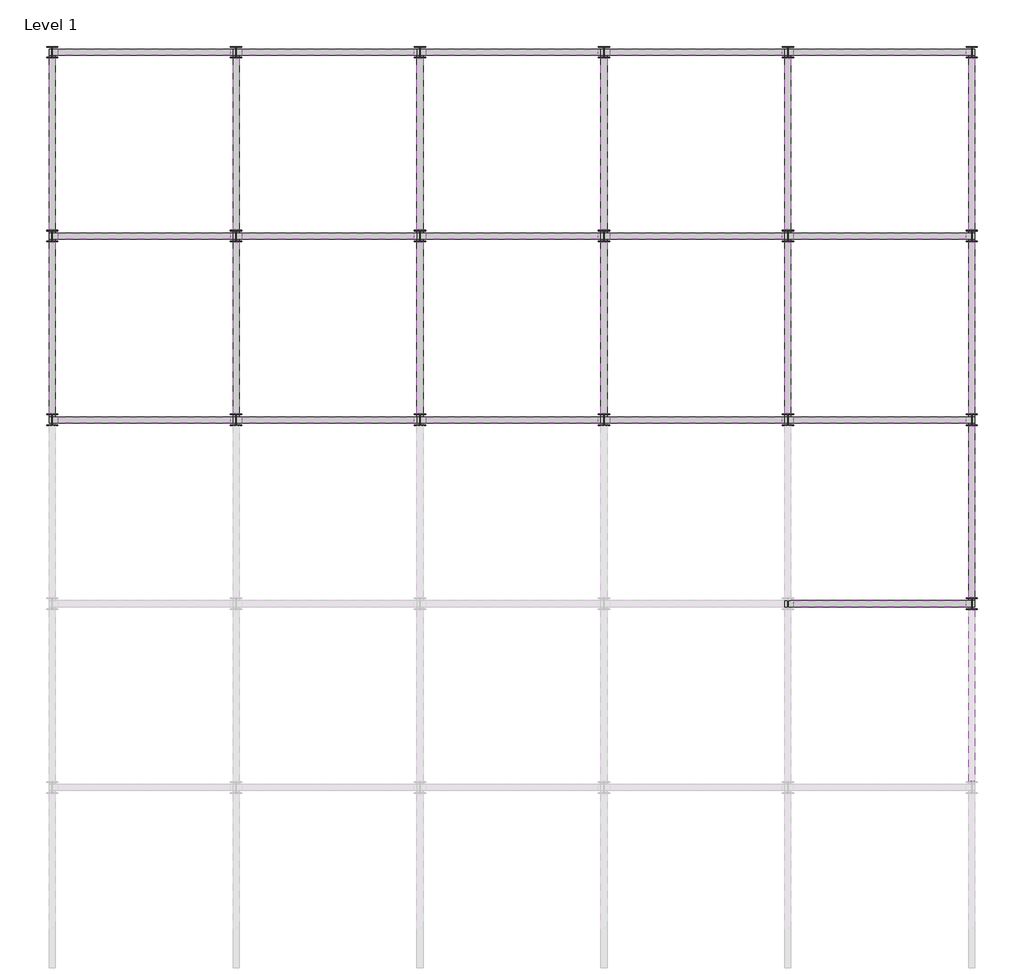
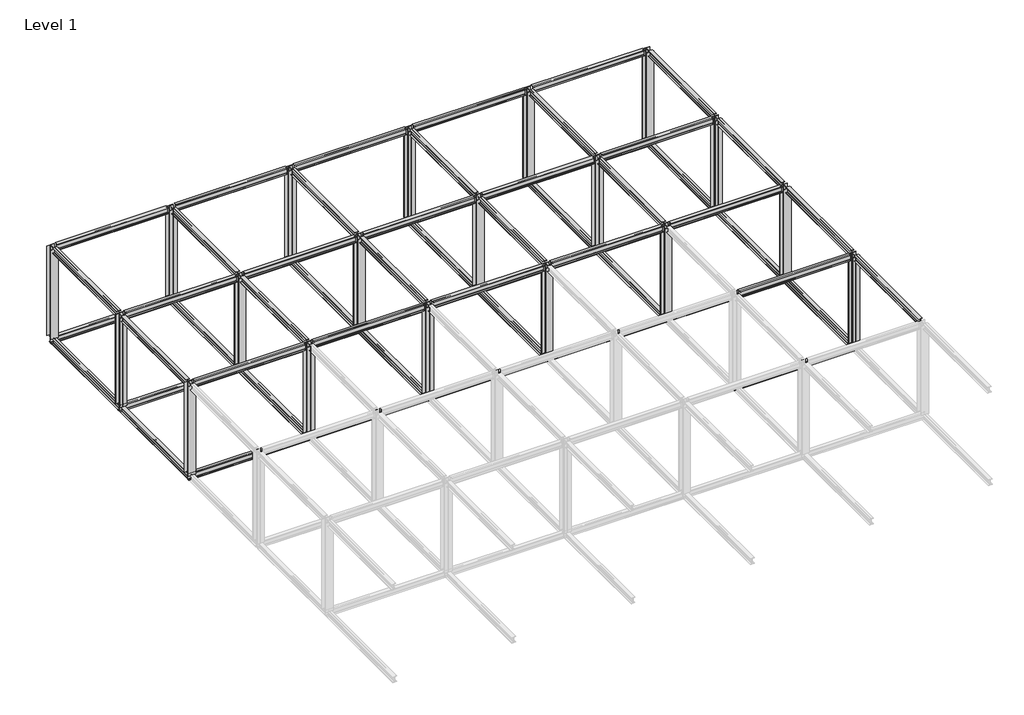
# One storey, part 2 of 2: 59 beams, 19 columns.
"""IFC4 building model written with IfcOpenShell, lengths in millimetres."""

import ifcopenshell
import ifcopenshell.guid

model = None  # the IFC model being written
_history = None  # IfcOwnerHistory: only IFC2X3 demands one
_inside = {}  # id of a spatial element -> (the spatial element, [elements in it])
_under = {}  # id of a project, library or spatial element -> (it, [spatial elements below it])
_declared = {}  # id of a project -> (the project, [libraries it declares])
_typed = {}  # id of a type object -> (the type object, [elements of that type])
_made_of = {}  # id of a material, layer set ... -> (it, [elements and type objects made of it])


def new_model(schema):
    """Start an empty IFC model of exactly this schema.

    Asked for "IFC4X3", IfcOpenShell would pick the latest addendum, in which some entities
    have other attributes; the version numbers below select the first issue.
    IFC2X3 requires an IfcOwnerHistory on every rooted entity: one is made here for all.
    """
    global model, _history
    if schema == "IFC4X3":
        model = ifcopenshell.file(schema_version=(4, 3, 0, 0))
    else:
        model = ifcopenshell.file(schema=schema)
    _inside.clear()
    _under.clear()
    _declared.clear()
    _typed.clear()
    _made_of.clear()
    _history = None
    if model.schema == "IFC2X3":
        org = make("IfcOrganization", Name="unknown")
        user = make(
            "IfcPersonAndOrganization",
            ThePerson=make("IfcPerson", FamilyName="unknown"),
            TheOrganization=org,
        )
        app = make(
            "IfcApplication",
            ApplicationDeveloper=org,
            Version="unknown",
            ApplicationFullName="unknown",
            ApplicationIdentifier="unknown",
        )
        _history = make(
            "IfcOwnerHistory",
            OwningUser=user,
            OwningApplication=app,
            ChangeAction="ADDED",
            CreationDate=0,
        )
    return model


def make(cls, **values):
    """One entity of the class cls with the attributes given. An attribute that is None is left unset."""
    return model.create_entity(
        cls, **{name: value for name, value in values.items() if value is not None}
    )


def rooted(cls, **values):
    """An entity with a GlobalId (a new one), such as an element, a storey or a relation."""
    return make(cls, GlobalId=ifcopenshell.guid.new(), OwnerHistory=_history, **values)


def si_unit(unit_type, name, prefix=None):
    """IfcSIUnit, for example si_unit("LENGTHUNIT", "METRE", prefix="MILLI")."""
    return make("IfcSIUnit", UnitType=unit_type, Prefix=prefix, Name=name)


def assignment(units):
    """IfcUnitAssignment: the units of a project."""
    return None if units is None else make("IfcUnitAssignment", Units=units)


def point(xyz):
    """IfcCartesianPoint."""
    return None if xyz is None else make("IfcCartesianPoint", Coordinates=xyz)


def direction(xyz):
    """IfcDirection."""
    return None if xyz is None else make("IfcDirection", DirectionRatios=xyz)


def frame(location, z_axis=None, x_axis=None):
    """IfcAxis2Placement3D, a coordinate frame: its origin and axes. An axis left out is left unset."""
    return make(
        "IfcAxis2Placement3D",
        Location=point(location),
        Axis=direction(z_axis),
        RefDirection=direction(x_axis),
    )


def frame_2d(location, x_axis=None):
    """IfcAxis2Placement2D, a coordinate frame in the plane: its origin and x axis."""
    return make(
        "IfcAxis2Placement2D", Location=point(location), RefDirection=direction(x_axis)
    )


def origin():
    """The frame at (0, 0, 0) with its axes left unset."""
    return frame((0.0, 0.0, 0.0))


def origin_with_axes():
    """The frame at (0, 0, 0) with the z axis (0, 0, 1) and the x axis (1, 0, 0) written out."""
    return frame((0.0, 0.0, 0.0), z_axis=(0.0, 0.0, 1.0), x_axis=(1.0, 0.0, 0.0))


def place(relative_to, where):
    """IfcLocalPlacement: puts the frame where relative to a parent placement (None: the world)."""
    return make(
        "IfcLocalPlacement", PlacementRelTo=relative_to, RelativePlacement=where
    )


def context(
    kind, dimensions, precision=None, world=None, true_north=None, identifier=None
):
    """IfcGeometricRepresentationContext, for example the 3D "Model" context."""
    return make(
        "IfcGeometricRepresentationContext",
        ContextIdentifier=identifier,
        ContextType=kind,
        CoordinateSpaceDimension=dimensions,
        Precision=precision,
        WorldCoordinateSystem=world,
        TrueNorth=true_north,
    )


def project(units=None, contexts=None):
    """IfcProject with its units and contexts."""
    return rooted(
        "IfcProject",
        Name="project",
        RepresentationContexts=contexts,
        UnitsInContext=assignment(units),
    )


def spatial(cls, under=None, at=None, **own):
    """A site, building, storey or space (cls), placed at a placement, below another one or the project."""
    s = rooted(cls, ObjectPlacement=at, **own)
    if under is not None:
        _under.setdefault(under.id(), (under, []))[1].append(s)
    return s


def polyline(points):
    """IfcPolyline through the points."""
    return make("IfcPolyline", Points=[point(p) for p in points])


def circle_curve(where, radius):
    """IfcCircle in the frame where."""
    return make("IfcCircle", Position=where, Radius=radius)


def trimmed(basis, trim1, trim2, sense, master):
    """IfcTrimmedCurve: the piece of a basis curve between two trims."""
    return make(
        "IfcTrimmedCurve",
        BasisCurve=basis,
        Trim1=trim1,
        Trim2=trim2,
        SenseAgreement=sense,
        MasterRepresentation=master,
    )


def segment(curve, same_sense, transition):
    """IfcCompositeCurveSegment."""
    return make(
        "IfcCompositeCurveSegment",
        Transition=transition,
        SameSense=same_sense,
        ParentCurve=curve,
    )


def composite_curve(segments, self_intersect=None):
    """IfcCompositeCurve: segments joined end to end."""
    return make("IfcCompositeCurve", Segments=segments, SelfIntersect=self_intersect)


def outline(outer, holes=None, kind="AREA"):
    """IfcArbitraryClosedProfileDef: a profile drawn as a closed curve; with holes, ...WithVoids."""
    if holes is None:
        return make("IfcArbitraryClosedProfileDef", ProfileType=kind, OuterCurve=outer)
    return make(
        "IfcArbitraryProfileDefWithVoids",
        ProfileType=kind,
        OuterCurve=outer,
        InnerCurves=holes,
    )


def extrude(swept, where, along, depth):
    """IfcExtrudedAreaSolid: the profile swept, set in the frame where, extruded along a direction by depth."""
    return make(
        "IfcExtrudedAreaSolid",
        SweptArea=swept,
        Position=where,
        ExtrudedDirection=direction(along),
        Depth=depth,
    )


def shape(context_of_items, identifier, shape_type, items):
    """IfcShapeRepresentation: the items that make up one representation, for example the "Body"."""
    return make(
        "IfcShapeRepresentation",
        ContextOfItems=context_of_items,
        RepresentationIdentifier=identifier,
        RepresentationType=shape_type,
        Items=items,
    )


def source(mapping_origin, context_of_items, identifier, shape_type, items):
    """IfcRepresentationMap: a shape defined once, which mapped items show again and again."""
    return make(
        "IfcRepresentationMap",
        MappingOrigin=mapping_origin,
        MappedRepresentation=shape(context_of_items, identifier, shape_type, items),
    )


def transform(
    local_origin,
    x_axis=None,
    y_axis=None,
    z_axis=None,
    scale=None,
    scale2=None,
    scale3=None,
    uniform=True,
):
    """IfcCartesianTransformationOperator3D, or its non-uniform kind. x_axis, y_axis, z_axis: its Axis1, 2, 3."""
    if uniform:
        return make(
            "IfcCartesianTransformationOperator3D",
            Axis1=direction(x_axis),
            Axis2=direction(y_axis),
            LocalOrigin=point(local_origin),
            Scale=scale,
            Axis3=direction(z_axis),
        )
    return make(
        "IfcCartesianTransformationOperator3DnonUniform",
        Axis1=direction(x_axis),
        Axis2=direction(y_axis),
        LocalOrigin=point(local_origin),
        Scale=scale,
        Axis3=direction(z_axis),
        Scale2=scale2,
        Scale3=scale3,
    )


def mapped(mapping_source, mapping_target):
    """IfcMappedItem: shows the shape of a source again, moved by a transform."""
    return make(
        "IfcMappedItem", MappingSource=mapping_source, MappingTarget=mapping_target
    )


def made_of(thing, what):
    """Note that an element or type object is made of a material, layer set ...; save() writes the relation."""
    if what is not None:
        _made_of.setdefault(what.id(), (what, []))[1].append(thing)
    return thing


def element(
    cls,
    number,
    at=None,
    inside=None,
    cuts=None,
    type_object=None,
    material=None,
    context=None,
    identifier="Body",
    shape_type=None,
    held_by="IfcProductDefinitionShape",
    body=None,
    shapes=None,
    **own,
):
    """One element of the class cls, such as IfcWall. Its Tag is "e" and its number.

    at: its placement. inside: the storey or other place that contains it. cuts: it is an
    opening in that element (IfcRelVoidsElement). A single representation is given by context,
    identifier, shape_type and body (its items); several are given by shapes. held_by: the class
    of the entity that holds the representations. save() writes the other relations.
    """
    e = rooted(cls, Tag="e%d" % number, ObjectPlacement=at, **own)
    if body is not None:
        shapes = [shape(context, identifier, shape_type, body)]
    if shapes is not None:
        e.Representation = make(held_by, Representations=shapes)
    if inside is not None:
        _inside.setdefault(inside.id(), (inside, []))[1].append(e)
    if cuts is not None:
        rooted(
            "IfcRelVoidsElement", RelatingBuildingElement=cuts, RelatedOpeningElement=e
        )
    if type_object is not None:
        _typed.setdefault(type_object.id(), (type_object, []))[1].append(e)
    return made_of(e, material)


def aggregate(whole, parts):
    """IfcRelAggregates: a whole, such as a stair, and the parts it consists of."""
    return rooted("IfcRelAggregates", RelatingObject=whole, RelatedObjects=parts)


def save(model, path):
    """Write the relations noted so far, then the file.

    IfcRelAggregates (storeys below a building ...), IfcRelContainedInSpatialStructure (elements
    in a storey), IfcRelDefinesByType, IfcRelAssociatesMaterial and IfcRelDeclares: one each for
    every whole, place, type object, material and project.
    """
    for whole, parts in _under.values():
        aggregate(whole, parts)
    for where, things in _inside.values():
        rooted(
            "IfcRelContainedInSpatialStructure",
            RelatedElements=things,
            RelatingStructure=where,
        )
    for kind, things in _typed.values():
        rooted("IfcRelDefinesByType", RelatedObjects=things, RelatingType=kind)
    for what, things in _made_of.values():
        rooted("IfcRelAssociatesMaterial", RelatedObjects=things, RelatingMaterial=what)
    for by, libraries in _declared.values():
        rooted("IfcRelDeclares", RelatingContext=by, RelatedDefinitions=libraries)
    model.write(path)


def ub_universal_beam2_8285ca34(model_context):
    return source(origin(), model_context, "Body", "SweptSolid", [
        extrude(outline(composite_curve([segment(polyline([(82.5, -114.8), (82.5, -125.0), (-82.5, -125.0), (-82.5, -114.8), (-11.9, -114.8)]), True, "CONTINUOUS"), segment(trimmed(circle_curve(frame_2d((-11.9, -105.9)), 8.9), [point((-11.9, -114.8))], [point((-3.0, -105.9))], True, "CARTESIAN"), True, "CONTINUOUS"), segment(polyline([(-3.0, -105.9), (-3.0, 105.9)]), True, "CONTINUOUS"), segment(trimmed(circle_curve(frame_2d((-11.9, 105.9)), 8.9), [point((-3.0, 105.9))], [point((-11.9, 114.8))], True, "CARTESIAN"), True, "CONTINUOUS"), segment(polyline([(-11.9, 114.8), (-82.5, 114.8), (-82.5, 125.0), (82.5, 125.0), (82.5, 114.8), (11.9, 114.8)]), True, "CONTINUOUS"), segment(trimmed(circle_curve(frame_2d((11.9, 105.9)), 8.9), [point((11.9, 114.8))], [point((3.0, 105.9))], True, "CARTESIAN"), True, "CONTINUOUS"), segment(polyline([(3.0, 105.9), (3.0, -105.9)]), True, "CONTINUOUS"), segment(trimmed(circle_curve(frame_2d((11.9, -105.9)), 8.9), [point((3.0, -105.9))], [point((11.9, -114.8))], True, "CARTESIAN"), True, "CONTINUOUS"), segment(polyline([(11.9, -114.8), (82.5, -114.8)]), True, "CONTINUOUS")], self_intersect=False)), frame((-2582.5, 0.0, 0.0), z_axis=(1.0, 0.0, 0.0), x_axis=(0.0, 1.0, 0.0)), (0.0, 0.0, 1.0), 4987.3),
    ])


def ub_universal_beam2_29741b4f(model_context):
    return source(origin(), model_context, "Body", "SweptSolid", [
        extrude(outline(composite_curve([segment(polyline([(82.5, -114.8), (82.5, -125.0), (-82.5, -125.0), (-82.5, -114.8), (-11.9, -114.8)]), True, "CONTINUOUS"), segment(trimmed(circle_curve(frame_2d((-11.9, -105.9)), 8.9), [point((-11.9, -114.8))], [point((-3.0, -105.9))], True, "CARTESIAN"), True, "CONTINUOUS"), segment(polyline([(-3.0, -105.9), (-3.0, 105.9)]), True, "CONTINUOUS"), segment(trimmed(circle_curve(frame_2d((-11.9, 105.9)), 8.9), [point((-3.0, 105.9))], [point((-11.9, 114.8))], True, "CARTESIAN"), True, "CONTINUOUS"), segment(polyline([(-11.9, 114.8), (-82.5, 114.8), (-82.5, 125.0), (82.5, 125.0), (82.5, 114.8), (11.9, 114.8)]), True, "CONTINUOUS"), segment(trimmed(circle_curve(frame_2d((11.9, 105.9)), 8.9), [point((11.9, 114.8))], [point((3.0, 105.9))], True, "CARTESIAN"), True, "CONTINUOUS"), segment(polyline([(3.0, 105.9), (3.0, -105.9)]), True, "CONTINUOUS"), segment(trimmed(circle_curve(frame_2d((11.9, -105.9)), 8.9), [point((3.0, -105.9))], [point((11.9, -114.8))], True, "CARTESIAN"), True, "CONTINUOUS"), segment(polyline([(11.9, -114.8), (82.5, -114.8)]), True, "CONTINUOUS")], self_intersect=False)), frame((-2404.8, 0.0, 0.0), z_axis=(1.0, 0.0, 0.0), x_axis=(0.0, 1.0, 0.0)), (0.0, 0.0, 1.0), 4809.6),
    ])


def ub_universal_beam2_1b98d5b6(model_context):
    return source(origin(), model_context, "Body", "SweptSolid", [
        extrude(outline(composite_curve([segment(polyline([(82.5, -114.8), (82.5, -125.0), (-82.5, -125.0), (-82.5, -114.8), (-11.9, -114.8)]), True, "CONTINUOUS"), segment(trimmed(circle_curve(frame_2d((-11.9, -105.9)), 8.9), [point((-11.9, -114.8))], [point((-3.0, -105.9))], True, "CARTESIAN"), True, "CONTINUOUS"), segment(polyline([(-3.0, -105.9), (-3.0, 105.9)]), True, "CONTINUOUS"), segment(trimmed(circle_curve(frame_2d((-11.9, 105.9)), 8.9), [point((-3.0, 105.9))], [point((-11.9, 114.8))], True, "CARTESIAN"), True, "CONTINUOUS"), segment(polyline([(-11.9, 114.8), (-82.5, 114.8), (-82.5, 125.0), (82.5, 125.0), (82.5, 114.8), (11.9, 114.8)]), True, "CONTINUOUS"), segment(trimmed(circle_curve(frame_2d((11.9, 105.9)), 8.9), [point((11.9, 114.8))], [point((3.0, 105.9))], True, "CARTESIAN"), True, "CONTINUOUS"), segment(polyline([(3.0, 105.9), (3.0, -105.9)]), True, "CONTINUOUS"), segment(trimmed(circle_curve(frame_2d((11.9, -105.9)), 8.9), [point((3.0, -105.9))], [point((11.9, -114.8))], True, "CARTESIAN"), True, "CONTINUOUS"), segment(polyline([(11.9, -114.8), (82.5, -114.8)]), True, "CONTINUOUS")], self_intersect=False)), frame((-2582.5, 0.0, 0.0), z_axis=(1.0, 0.0, 0.0), x_axis=(0.0, 1.0, 0.0)), (0.0, 0.0, 1.0), 5165.0),
    ])


def ub_universal_beam2_df2df2bd(model_context):
    return source(origin(), model_context, "Body", "SweptSolid", [
        extrude(outline(composite_curve([segment(polyline([(82.5, -114.8), (82.5, -125.0), (-82.5, -125.0), (-82.5, -114.8), (-11.9, -114.8)]), True, "CONTINUOUS"), segment(trimmed(circle_curve(frame_2d((-11.9, -105.9)), 8.9), [point((-11.9, -114.8))], [point((-3.0, -105.9))], True, "CARTESIAN"), True, "CONTINUOUS"), segment(polyline([(-3.0, -105.9), (-3.0, 105.9)]), True, "CONTINUOUS"), segment(trimmed(circle_curve(frame_2d((-11.9, 105.9)), 8.9), [point((-3.0, 105.9))], [point((-11.9, 114.8))], True, "CARTESIAN"), True, "CONTINUOUS"), segment(polyline([(-11.9, 114.8), (-82.5, 114.8), (-82.5, 125.0), (82.5, 125.0), (82.5, 114.8), (11.9, 114.8)]), True, "CONTINUOUS"), segment(trimmed(circle_curve(frame_2d((11.9, 105.9)), 8.9), [point((11.9, 114.8))], [point((3.0, 105.9))], True, "CARTESIAN"), True, "CONTINUOUS"), segment(polyline([(3.0, 105.9), (3.0, -105.9)]), True, "CONTINUOUS"), segment(trimmed(circle_curve(frame_2d((11.9, -105.9)), 8.9), [point((3.0, -105.9))], [point((11.9, -114.8))], True, "CARTESIAN"), True, "CONTINUOUS"), segment(polyline([(11.9, -114.8), (82.5, -114.8)]), True, "CONTINUOUS")], self_intersect=False)), frame((-2333.35, 0.0, 0.0), z_axis=(1.0, 0.0, 0.0), x_axis=(0.0, 1.0, 0.0)), (0.0, 0.0, 1.0), 4666.7),
    ])


def ub_universal_beam2_d287df18(model_context):
    return source(origin(), model_context, "Body", "SweptSolid", [
        extrude(outline(composite_curve([segment(polyline([(82.5, -114.8), (82.5, -125.0), (-82.5, -125.0), (-82.5, -114.8), (-11.9, -114.8)]), True, "CONTINUOUS"), segment(trimmed(circle_curve(frame_2d((-11.9, -105.9)), 8.9), [point((-11.9, -114.8))], [point((-3.0, -105.9))], True, "CARTESIAN"), True, "CONTINUOUS"), segment(polyline([(-3.0, -105.9), (-3.0, 105.9)]), True, "CONTINUOUS"), segment(trimmed(circle_curve(frame_2d((-11.9, 105.9)), 8.9), [point((-3.0, 105.9))], [point((-11.9, 114.8))], True, "CARTESIAN"), True, "CONTINUOUS"), segment(polyline([(-11.9, 114.8), (-82.5, 114.8), (-82.5, 125.0), (82.5, 125.0), (82.5, 114.8), (11.9, 114.8)]), True, "CONTINUOUS"), segment(trimmed(circle_curve(frame_2d((11.9, 105.9)), 8.9), [point((11.9, 114.8))], [point((3.0, 105.9))], True, "CARTESIAN"), True, "CONTINUOUS"), segment(polyline([(3.0, 105.9), (3.0, -105.9)]), True, "CONTINUOUS"), segment(trimmed(circle_curve(frame_2d((11.9, -105.9)), 8.9), [point((3.0, -105.9))], [point((11.9, -114.8))], True, "CARTESIAN"), True, "CONTINUOUS"), segment(polyline([(11.9, -114.8), (82.5, -114.8)]), True, "CONTINUOUS")], self_intersect=False)), frame((-2334.65, 0.0, 0.0), z_axis=(1.0, 0.0, 0.0), x_axis=(0.0, 1.0, 0.0)), (0.0, 0.0, 1.0), 4669.3),
    ])


def uc_universal_column_column_305x305x97uc_3b4fff0a(model_context):
    return source(origin(), model_context, "Body", "SweptSolid", [
        extrude(outline(composite_curve([segment(polyline([(152.65, 153.95), (152.65, 138.55), (20.15, 138.55)]), True, "CONTINUOUS"), segment(trimmed(circle_curve(frame_2d((20.15, 123.35)), 15.2), [point((20.15, 138.55))], [point((4.95, 123.35))], True, "CARTESIAN"), True, "CONTINUOUS"), segment(polyline([(4.95, 123.35), (4.95, -123.35)]), True, "CONTINUOUS"), segment(trimmed(circle_curve(frame_2d((20.15, -123.35)), 15.2), [point((4.95, -123.35))], [point((20.15, -138.55))], True, "CARTESIAN"), True, "CONTINUOUS"), segment(polyline([(20.15, -138.55), (152.65, -138.55), (152.65, -153.95), (-152.65, -153.95), (-152.65, -138.55), (-20.15, -138.55)]), True, "CONTINUOUS"), segment(trimmed(circle_curve(frame_2d((-20.15, -123.35)), 15.2), [point((-20.15, -138.55))], [point((-4.95, -123.35))], True, "CARTESIAN"), True, "CONTINUOUS"), segment(polyline([(-4.95, -123.35), (-4.95, 123.35)]), True, "CONTINUOUS"), segment(trimmed(circle_curve(frame_2d((-20.15, 123.35)), 15.2), [point((-4.95, 123.35))], [point((-20.15, 138.55))], True, "CARTESIAN"), True, "CONTINUOUS"), segment(polyline([(-20.15, 138.55), (-152.65, 138.55), (-152.65, 153.95), (152.65, 153.95)]), True, "CONTINUOUS")], self_intersect=False)), origin_with_axes(), (0.0, 0.0, 1.0), 3975.0),
    ])


model = new_model("IFC4")

# Units and contexts
model_context = context("Model", 3, world=origin())
ifc_project = project(units=[si_unit("LENGTHUNIT", "METRE", prefix="MILLI")], contexts=[model_context])

# Site, building, storey
site = spatial("IfcSite", under=ifc_project)
building = spatial("IfcBuilding", under=site)
storey = spatial("IfcBuildingStorey", under=building, Name="Level 1", Elevation=0.0)

# Beams
placement = place(None, origin())
ub_universal_beam2_shape = ub_universal_beam2_8285ca34(model_context)
element("IfcBeam", 1, ObjectType="UB-Universal Beam2", at=placement, inside=storey, context=model_context, shape_type="MappedRepresentation", body=[
    mapped(ub_universal_beam2_shape, transform((-11878.9546175, 11032.3284362, -125.0), x_axis=(1.0, 0.0, 0.0), y_axis=(0.0, 1.0, 0.0), z_axis=(0.0, 0.0, 1.0))),
])
element("IfcBeam", 2, ObjectType="UB-Universal Beam2", at=placement, inside=storey, context=model_context, shape_type="MappedRepresentation", body=[
    mapped(ub_universal_beam2_shape, transform((-6878.9546175, 11032.3284362, -125.0), x_axis=(1.0, 0.0, 0.0), y_axis=(0.0, 1.0, 0.0), z_axis=(0.0, 0.0, 1.0))),
])
element("IfcBeam", 3, ObjectType="UB-Universal Beam2", at=placement, inside=storey, context=model_context, shape_type="MappedRepresentation", body=[
    mapped(ub_universal_beam2_shape, transform((-1878.9546175, 11032.3284362, -125.0), x_axis=(1.0, 0.0, 0.0), y_axis=(0.0, 1.0, 0.0), z_axis=(0.0, 0.0, 1.0))),
])
element("IfcBeam", 4, ObjectType="UB-Universal Beam2", at=placement, inside=storey, context=model_context, shape_type="MappedRepresentation", body=[
    mapped(ub_universal_beam2_shape, transform((3121.0453825, 11032.3284362, -125.0), x_axis=(1.0, 0.0, 0.0), y_axis=(0.0, 1.0, 0.0), z_axis=(0.0, 0.0, 1.0))),
])
element("IfcBeam", 5, ObjectType="UB-Universal Beam2", at=placement, inside=storey, context=model_context, shape_type="MappedRepresentation", body=[
    mapped(ub_universal_beam2_shape, transform((-11878.9546175, 6032.3284362, -125.0), x_axis=(1.0, 0.0, 0.0), y_axis=(0.0, 1.0, 0.0), z_axis=(0.0, 0.0, 1.0))),
])
element("IfcBeam", 6, ObjectType="UB-Universal Beam2", at=placement, inside=storey, context=model_context, shape_type="MappedRepresentation", body=[
    mapped(ub_universal_beam2_shape, transform((-6878.9546175, 6032.3284362, -125.0), x_axis=(1.0, 0.0, 0.0), y_axis=(0.0, 1.0, 0.0), z_axis=(0.0, 0.0, 1.0))),
])
element("IfcBeam", 7, ObjectType="UB-Universal Beam2", at=placement, inside=storey, context=model_context, shape_type="MappedRepresentation", body=[
    mapped(ub_universal_beam2_shape, transform((-1878.9546175, 6032.3284362, -125.0), x_axis=(1.0, 0.0, 0.0), y_axis=(0.0, 1.0, 0.0), z_axis=(0.0, 0.0, 1.0))),
])
element("IfcBeam", 8, ObjectType="UB-Universal Beam2", at=placement, inside=storey, context=model_context, shape_type="MappedRepresentation", body=[
    mapped(ub_universal_beam2_shape, transform((3121.0453825, 6032.3284362, -125.0), x_axis=(1.0, 0.0, 0.0), y_axis=(0.0, 1.0, 0.0), z_axis=(0.0, 0.0, 1.0))),
])
element("IfcBeam", 9, ObjectType="UB-Universal Beam2", at=placement, inside=storey, context=model_context, shape_type="MappedRepresentation", body=[
    mapped(ub_universal_beam2_shape, transform((-11878.9546175, 1032.3284362, -125.0), x_axis=(1.0, 0.0, 0.0), y_axis=(0.0, 1.0, 0.0), z_axis=(0.0, 0.0, 1.0))),
])
element("IfcBeam", 10, ObjectType="UB-Universal Beam2", at=placement, inside=storey, context=model_context, shape_type="MappedRepresentation", body=[
    mapped(ub_universal_beam2_shape, transform((-6878.9546175, 1032.3284362, -125.0), x_axis=(1.0, 0.0, 0.0), y_axis=(0.0, 1.0, 0.0), z_axis=(0.0, 0.0, 1.0))),
])
element("IfcBeam", 11, ObjectType="UB-Universal Beam2", at=placement, inside=storey, context=model_context, shape_type="MappedRepresentation", body=[
    mapped(ub_universal_beam2_shape, transform((-1878.9546175, 1032.3284362, -125.0), x_axis=(1.0, 0.0, 0.0), y_axis=(0.0, 1.0, 0.0), z_axis=(0.0, 0.0, 1.0))),
])
element("IfcBeam", 12, ObjectType="UB-Universal Beam2", at=placement, inside=storey, context=model_context, shape_type="MappedRepresentation", body=[
    mapped(ub_universal_beam2_shape, transform((3121.0453825, 1032.3284362, -125.0), x_axis=(1.0, 0.0, 0.0), y_axis=(0.0, 1.0, 0.0), z_axis=(0.0, 0.0, 1.0))),
])
ub_universal_beam2_2_shape = ub_universal_beam2_29741b4f(model_context)
element("IfcBeam", 13, ObjectType="UB-Universal Beam2", at=placement, inside=storey, context=model_context, shape_type="MappedRepresentation", body=[
    mapped(ub_universal_beam2_2_shape, transform((-14378.9546175, 8532.3284362, -125.0), x_axis=(0.0, -1.0, 0.0), y_axis=(1.0, 0.0, 0.0), z_axis=(0.0, 0.0, 1.0))),
])
element("IfcBeam", 14, ObjectType="UB-Universal Beam2", at=placement, inside=storey, context=model_context, shape_type="MappedRepresentation", body=[
    mapped(ub_universal_beam2_2_shape, transform((-14378.9546175, 3532.3284362, -125.0), x_axis=(0.0, -1.0, 0.0), y_axis=(1.0, 0.0, 0.0), z_axis=(0.0, 0.0, 1.0))),
])
element("IfcBeam", 15, ObjectType="UB-Universal Beam2", at=placement, inside=storey, context=model_context, shape_type="MappedRepresentation", body=[
    mapped(ub_universal_beam2_2_shape, transform((-9378.9546175, 8532.3284362, -125.0), x_axis=(0.0, -1.0, 0.0), y_axis=(1.0, 0.0, 0.0), z_axis=(0.0, 0.0, 1.0))),
])
element("IfcBeam", 16, ObjectType="UB-Universal Beam2", at=placement, inside=storey, context=model_context, shape_type="MappedRepresentation", body=[
    mapped(ub_universal_beam2_2_shape, transform((-9378.9546175, 3532.3284362, -125.0), x_axis=(0.0, -1.0, 0.0), y_axis=(1.0, 0.0, 0.0), z_axis=(0.0, 0.0, 1.0))),
])
element("IfcBeam", 17, ObjectType="UB-Universal Beam2", at=placement, inside=storey, context=model_context, shape_type="MappedRepresentation", body=[
    mapped(ub_universal_beam2_2_shape, transform((-4378.9546175, 8532.3284362, -125.0), x_axis=(0.0, -1.0, 0.0), y_axis=(1.0, 0.0, 0.0), z_axis=(0.0, 0.0, 1.0))),
])
element("IfcBeam", 18, ObjectType="UB-Universal Beam2", at=placement, inside=storey, context=model_context, shape_type="MappedRepresentation", body=[
    mapped(ub_universal_beam2_2_shape, transform((-4378.9546175, 3532.3284362, -125.0), x_axis=(0.0, -1.0, 0.0), y_axis=(1.0, 0.0, 0.0), z_axis=(0.0, 0.0, 1.0))),
])
element("IfcBeam", 19, ObjectType="UB-Universal Beam2", at=placement, inside=storey, context=model_context, shape_type="MappedRepresentation", body=[
    mapped(ub_universal_beam2_2_shape, transform((621.0453825, 8532.3284362, -125.0), x_axis=(0.0, -1.0, 0.0), y_axis=(1.0, 0.0, 0.0), z_axis=(0.0, 0.0, 1.0))),
])
element("IfcBeam", 20, ObjectType="UB-Universal Beam2", at=placement, inside=storey, context=model_context, shape_type="MappedRepresentation", body=[
    mapped(ub_universal_beam2_2_shape, transform((621.0453825, 3532.3284362, -125.0), x_axis=(0.0, -1.0, 0.0), y_axis=(1.0, 0.0, 0.0), z_axis=(0.0, 0.0, 1.0))),
])
element("IfcBeam", 21, ObjectType="UB-Universal Beam2", at=placement, inside=storey, context=model_context, shape_type="MappedRepresentation", body=[
    mapped(ub_universal_beam2_2_shape, transform((5621.0453825, 8532.3284362, -125.0), x_axis=(0.0, -1.0, 0.0), y_axis=(1.0, 0.0, 0.0), z_axis=(0.0, 0.0, 1.0))),
])
element("IfcBeam", 22, ObjectType="UB-Universal Beam2", at=placement, inside=storey, context=model_context, shape_type="MappedRepresentation", body=[
    mapped(ub_universal_beam2_2_shape, transform((5621.0453825, 3532.3284362, -125.0), x_axis=(0.0, -1.0, 0.0), y_axis=(1.0, 0.0, 0.0), z_axis=(0.0, 0.0, 1.0))),
])
element("IfcBeam", 23, ObjectType="UB-Universal Beam2", at=placement, inside=storey, context=model_context, shape_type="MappedRepresentation", body=[
    mapped(ub_universal_beam2_2_shape, transform((10621.0453825, 8532.3284362, -125.0), x_axis=(0.0, -1.0, 0.0), y_axis=(1.0, 0.0, 0.0), z_axis=(0.0, 0.0, 1.0))),
])
element("IfcBeam", 24, ObjectType="UB-Universal Beam2", at=placement, inside=storey, context=model_context, shape_type="MappedRepresentation", body=[
    mapped(ub_universal_beam2_2_shape, transform((10621.0453825, 3532.3284362, -125.0), x_axis=(0.0, -1.0, 0.0), y_axis=(1.0, 0.0, 0.0), z_axis=(0.0, 0.0, 1.0))),
])
element("IfcBeam", 25, ObjectType="UB-Universal Beam2", at=placement, inside=storey, context=model_context, shape_type="MappedRepresentation", body=[
    mapped(ub_universal_beam2_2_shape, transform((10621.0453825, -1467.6715638, -125.0), x_axis=(0.0, -1.0, 0.0), y_axis=(1.0, 0.0, 0.0), z_axis=(0.0, 0.0, 1.0))),
])
ub_universal_beam2_3_shape = ub_universal_beam2_1b98d5b6(model_context)
element("IfcBeam", 26, ObjectType="UB-Universal Beam2", at=placement, inside=storey, context=model_context, shape_type="MappedRepresentation", body=[
    mapped(ub_universal_beam2_3_shape, transform((8121.0453825, 11032.3284362, -125.0), x_axis=(1.0, 0.0, 0.0), y_axis=(0.0, 1.0, 0.0), z_axis=(0.0, 0.0, 1.0))),
])
element("IfcBeam", 27, ObjectType="UB-Universal Beam2", at=placement, inside=storey, context=model_context, shape_type="MappedRepresentation", body=[
    mapped(ub_universal_beam2_3_shape, transform((8121.0453825, 6032.3284362, -125.0), x_axis=(1.0, 0.0, 0.0), y_axis=(0.0, 1.0, 0.0), z_axis=(0.0, 0.0, 1.0))),
])
element("IfcBeam", 28, ObjectType="UB-Universal Beam2", at=placement, inside=storey, context=model_context, shape_type="MappedRepresentation", body=[
    mapped(ub_universal_beam2_3_shape, transform((8121.0453825, 1032.3284362, -125.0), x_axis=(1.0, 0.0, 0.0), y_axis=(0.0, 1.0, 0.0), z_axis=(0.0, 0.0, 1.0))),
])
element("IfcBeam", 29, ObjectType="UB-Universal Beam2", at=placement, inside=storey, context=model_context, shape_type="MappedRepresentation", body=[
    mapped(ub_universal_beam2_3_shape, transform((8121.0453825, -3967.6715638, -125.0), x_axis=(1.0, 0.0, 0.0), y_axis=(0.0, 1.0, 0.0), z_axis=(0.0, 0.0, 1.0))),
])
ub_universal_beam2_4_shape = ub_universal_beam2_df2df2bd(model_context)
element("IfcBeam", 30, ObjectType="UB-Universal Beam2", at=placement, inside=storey, context=model_context, shape_type="MappedRepresentation", body=[
    mapped(ub_universal_beam2_4_shape, transform((-14378.9546175, 8532.3284362, 3936.9), x_axis=(0.0, -1.0, 0.0), y_axis=(1.0, 0.0, 0.0), z_axis=(0.0, 0.0, 1.0))),
])
element("IfcBeam", 31, ObjectType="UB-Universal Beam2", at=placement, inside=storey, context=model_context, shape_type="MappedRepresentation", body=[
    mapped(ub_universal_beam2_4_shape, transform((-14378.9546175, 3532.3284362, 3936.9), x_axis=(0.0, -1.0, 0.0), y_axis=(1.0, 0.0, 0.0), z_axis=(0.0, 0.0, 1.0))),
])
element("IfcBeam", 32, ObjectType="UB-Universal Beam2", at=placement, inside=storey, context=model_context, shape_type="MappedRepresentation", body=[
    mapped(ub_universal_beam2_4_shape, transform((-9378.9546175, 8532.3284362, 3936.9), x_axis=(0.0, -1.0, 0.0), y_axis=(1.0, 0.0, 0.0), z_axis=(0.0, 0.0, 1.0))),
])
element("IfcBeam", 33, ObjectType="UB-Universal Beam2", at=placement, inside=storey, context=model_context, shape_type="MappedRepresentation", body=[
    mapped(ub_universal_beam2_4_shape, transform((-9378.9546175, 3532.3284362, 3936.9), x_axis=(0.0, -1.0, 0.0), y_axis=(1.0, 0.0, 0.0), z_axis=(0.0, 0.0, 1.0))),
])
element("IfcBeam", 34, ObjectType="UB-Universal Beam2", at=placement, inside=storey, context=model_context, shape_type="MappedRepresentation", body=[
    mapped(ub_universal_beam2_4_shape, transform((-4378.9546175, 8532.3284362, 3936.9), x_axis=(0.0, -1.0, 0.0), y_axis=(1.0, 0.0, 0.0), z_axis=(0.0, 0.0, 1.0))),
])
element("IfcBeam", 35, ObjectType="UB-Universal Beam2", at=placement, inside=storey, context=model_context, shape_type="MappedRepresentation", body=[
    mapped(ub_universal_beam2_4_shape, transform((-4378.9546175, 3532.3284362, 3936.9), x_axis=(0.0, -1.0, 0.0), y_axis=(1.0, 0.0, 0.0), z_axis=(0.0, 0.0, 1.0))),
])
element("IfcBeam", 36, ObjectType="UB-Universal Beam2", at=placement, inside=storey, context=model_context, shape_type="MappedRepresentation", body=[
    mapped(ub_universal_beam2_4_shape, transform((621.0453825, 8532.3284362, 3936.9), x_axis=(0.0, -1.0, 0.0), y_axis=(1.0, 0.0, 0.0), z_axis=(0.0, 0.0, 1.0))),
])
element("IfcBeam", 37, ObjectType="UB-Universal Beam2", at=placement, inside=storey, context=model_context, shape_type="MappedRepresentation", body=[
    mapped(ub_universal_beam2_4_shape, transform((621.0453825, 3532.3284362, 3936.9), x_axis=(0.0, -1.0, 0.0), y_axis=(1.0, 0.0, 0.0), z_axis=(0.0, 0.0, 1.0))),
])
element("IfcBeam", 38, ObjectType="UB-Universal Beam2", at=placement, inside=storey, context=model_context, shape_type="MappedRepresentation", body=[
    mapped(ub_universal_beam2_4_shape, transform((5621.0453825, 8532.3284362, 3936.9), x_axis=(0.0, -1.0, 0.0), y_axis=(1.0, 0.0, 0.0), z_axis=(0.0, 0.0, 1.0))),
])
element("IfcBeam", 39, ObjectType="UB-Universal Beam2", at=placement, inside=storey, context=model_context, shape_type="MappedRepresentation", body=[
    mapped(ub_universal_beam2_4_shape, transform((5621.0453825, 3532.3284362, 3936.9), x_axis=(0.0, -1.0, 0.0), y_axis=(1.0, 0.0, 0.0), z_axis=(0.0, 0.0, 1.0))),
])
element("IfcBeam", 40, ObjectType="UB-Universal Beam2", at=placement, inside=storey, context=model_context, shape_type="MappedRepresentation", body=[
    mapped(ub_universal_beam2_4_shape, transform((10621.0453825, 8532.3284362, 3936.9), x_axis=(0.0, -1.0, 0.0), y_axis=(1.0, 0.0, 0.0), z_axis=(0.0, 0.0, 1.0))),
])
element("IfcBeam", 41, ObjectType="UB-Universal Beam2", at=placement, inside=storey, context=model_context, shape_type="MappedRepresentation", body=[
    mapped(ub_universal_beam2_4_shape, transform((10621.0453825, 3532.3284362, 3936.9), x_axis=(0.0, -1.0, 0.0), y_axis=(1.0, 0.0, 0.0), z_axis=(0.0, 0.0, 1.0))),
])
element("IfcBeam", 42, ObjectType="UB-Universal Beam2", at=placement, inside=storey, context=model_context, shape_type="MappedRepresentation", body=[
    mapped(ub_universal_beam2_4_shape, transform((10621.0453825, -1467.6715638, 3936.9), x_axis=(0.0, -1.0, 0.0), y_axis=(1.0, 0.0, 0.0), z_axis=(0.0, 0.0, 1.0))),
])
element("IfcBeam", 43, ObjectType="UB-Universal Beam2", at=placement, inside=storey, context=model_context, shape_type="MappedRepresentation", body=[
    mapped(ub_universal_beam2_4_shape, transform((10621.0453825, -6467.6715638, 3936.9), x_axis=(0.0, -1.0, 0.0), y_axis=(1.0, 0.0, 0.0), z_axis=(0.0, 0.0, 1.0))),
])
ub_universal_beam2_5_shape = ub_universal_beam2_d287df18(model_context)
element("IfcBeam", 44, ObjectType="UB-Universal Beam2", at=placement, inside=storey, context=model_context, shape_type="MappedRepresentation", body=[
    mapped(ub_universal_beam2_5_shape, transform((-11878.9546175, 11032.3284362, 3936.9), x_axis=(1.0, 0.0, 0.0), y_axis=(0.0, 1.0, 0.0), z_axis=(0.0, 0.0, 1.0))),
])
element("IfcBeam", 45, ObjectType="UB-Universal Beam2", at=placement, inside=storey, context=model_context, shape_type="MappedRepresentation", body=[
    mapped(ub_universal_beam2_5_shape, transform((-6878.9546175, 11032.3284362, 3936.9), x_axis=(1.0, 0.0, 0.0), y_axis=(0.0, 1.0, 0.0), z_axis=(0.0, 0.0, 1.0))),
])
element("IfcBeam", 46, ObjectType="UB-Universal Beam2", at=placement, inside=storey, context=model_context, shape_type="MappedRepresentation", body=[
    mapped(ub_universal_beam2_5_shape, transform((-1878.9546175, 11032.3284362, 3936.9), x_axis=(1.0, 0.0, 0.0), y_axis=(0.0, 1.0, 0.0), z_axis=(0.0, 0.0, 1.0))),
])
element("IfcBeam", 47, ObjectType="UB-Universal Beam2", at=placement, inside=storey, context=model_context, shape_type="MappedRepresentation", body=[
    mapped(ub_universal_beam2_5_shape, transform((3121.0453825, 11032.3284362, 3936.9), x_axis=(1.0, 0.0, 0.0), y_axis=(0.0, 1.0, 0.0), z_axis=(0.0, 0.0, 1.0))),
])
element("IfcBeam", 48, ObjectType="UB-Universal Beam2", at=placement, inside=storey, context=model_context, shape_type="MappedRepresentation", body=[
    mapped(ub_universal_beam2_5_shape, transform((8121.0453825, 11032.3284362, 3936.9), x_axis=(1.0, 0.0, 0.0), y_axis=(0.0, 1.0, 0.0), z_axis=(0.0, 0.0, 1.0))),
])
element("IfcBeam", 49, ObjectType="UB-Universal Beam2", at=placement, inside=storey, context=model_context, shape_type="MappedRepresentation", body=[
    mapped(ub_universal_beam2_5_shape, transform((-11878.9546175, 6032.3284362, 3936.9), x_axis=(1.0, 0.0, 0.0), y_axis=(0.0, 1.0, 0.0), z_axis=(0.0, 0.0, 1.0))),
])
element("IfcBeam", 50, ObjectType="UB-Universal Beam2", at=placement, inside=storey, context=model_context, shape_type="MappedRepresentation", body=[
    mapped(ub_universal_beam2_5_shape, transform((-6878.9546175, 6032.3284362, 3936.9), x_axis=(1.0, 0.0, 0.0), y_axis=(0.0, 1.0, 0.0), z_axis=(0.0, 0.0, 1.0))),
])
element("IfcBeam", 51, ObjectType="UB-Universal Beam2", at=placement, inside=storey, context=model_context, shape_type="MappedRepresentation", body=[
    mapped(ub_universal_beam2_5_shape, transform((-1878.9546175, 6032.3284362, 3936.9), x_axis=(1.0, 0.0, 0.0), y_axis=(0.0, 1.0, 0.0), z_axis=(0.0, 0.0, 1.0))),
])
element("IfcBeam", 52, ObjectType="UB-Universal Beam2", at=placement, inside=storey, context=model_context, shape_type="MappedRepresentation", body=[
    mapped(ub_universal_beam2_5_shape, transform((3121.0453825, 6032.3284362, 3936.9), x_axis=(1.0, 0.0, 0.0), y_axis=(0.0, 1.0, 0.0), z_axis=(0.0, 0.0, 1.0))),
])
element("IfcBeam", 53, ObjectType="UB-Universal Beam2", at=placement, inside=storey, context=model_context, shape_type="MappedRepresentation", body=[
    mapped(ub_universal_beam2_5_shape, transform((8121.0453825, 6032.3284362, 3936.9), x_axis=(1.0, 0.0, 0.0), y_axis=(0.0, 1.0, 0.0), z_axis=(0.0, 0.0, 1.0))),
])
element("IfcBeam", 54, ObjectType="UB-Universal Beam2", at=placement, inside=storey, context=model_context, shape_type="MappedRepresentation", body=[
    mapped(ub_universal_beam2_5_shape, transform((-11878.9546175, 1032.3284362, 3936.9), x_axis=(1.0, 0.0, 0.0), y_axis=(0.0, 1.0, 0.0), z_axis=(0.0, 0.0, 1.0))),
])
element("IfcBeam", 55, ObjectType="UB-Universal Beam2", at=placement, inside=storey, context=model_context, shape_type="MappedRepresentation", body=[
    mapped(ub_universal_beam2_5_shape, transform((-6878.9546175, 1032.3284362, 3936.9), x_axis=(1.0, 0.0, 0.0), y_axis=(0.0, 1.0, 0.0), z_axis=(0.0, 0.0, 1.0))),
])
element("IfcBeam", 56, ObjectType="UB-Universal Beam2", at=placement, inside=storey, context=model_context, shape_type="MappedRepresentation", body=[
    mapped(ub_universal_beam2_5_shape, transform((-1878.9546175, 1032.3284362, 3936.9), x_axis=(1.0, 0.0, 0.0), y_axis=(0.0, 1.0, 0.0), z_axis=(0.0, 0.0, 1.0))),
])
element("IfcBeam", 57, ObjectType="UB-Universal Beam2", at=placement, inside=storey, context=model_context, shape_type="MappedRepresentation", body=[
    mapped(ub_universal_beam2_5_shape, transform((3121.0453825, 1032.3284362, 3936.9), x_axis=(1.0, 0.0, 0.0), y_axis=(0.0, 1.0, 0.0), z_axis=(0.0, 0.0, 1.0))),
])
element("IfcBeam", 58, ObjectType="UB-Universal Beam2", at=placement, inside=storey, context=model_context, shape_type="MappedRepresentation", body=[
    mapped(ub_universal_beam2_5_shape, transform((8121.0453825, 1032.3284362, 3936.9), x_axis=(1.0, 0.0, 0.0), y_axis=(0.0, 1.0, 0.0), z_axis=(0.0, 0.0, 1.0))),
])
element("IfcBeam", 59, ObjectType="UB-Universal Beam2", at=placement, inside=storey, context=model_context, shape_type="MappedRepresentation", body=[
    mapped(ub_universal_beam2_5_shape, transform((8121.0453825, -3967.6715638, 3936.9), x_axis=(1.0, 0.0, 0.0), y_axis=(0.0, 1.0, 0.0), z_axis=(0.0, 0.0, 1.0))),
])

# Columns
uc_universal_column_column_305x305x97uc_shape = uc_universal_column_column_305x305x97uc_3b4fff0a(model_context)
element("IfcColumn", 60, ObjectType="UC-Universal Column-Column : 305x305x97UC", at=placement, inside=storey, context=model_context, shape_type="MappedRepresentation", body=[
    mapped(uc_universal_column_column_305x305x97uc_shape, transform((-14378.9546175, 11032.3284362, 0.0), x_axis=(1.0, 0.0, 0.0), y_axis=(0.0, 1.0, 0.0), z_axis=(0.0, 0.0, 1.0))),
])
element("IfcColumn", 61, ObjectType="UC-Universal Column-Column : 305x305x97UC", at=placement, inside=storey, context=model_context, shape_type="MappedRepresentation", body=[
    mapped(uc_universal_column_column_305x305x97uc_shape, transform((-14378.9546175, 6032.3284362, 0.0), x_axis=(1.0, 0.0, 0.0), y_axis=(0.0, 1.0, 0.0), z_axis=(0.0, 0.0, 1.0))),
])
element("IfcColumn", 62, ObjectType="UC-Universal Column-Column : 305x305x97UC", at=placement, inside=storey, context=model_context, shape_type="MappedRepresentation", body=[
    mapped(uc_universal_column_column_305x305x97uc_shape, transform((-14378.9546175, 1032.3284362, 0.0), x_axis=(1.0, 0.0, 0.0), y_axis=(0.0, 1.0, 0.0), z_axis=(0.0, 0.0, 1.0))),
])
element("IfcColumn", 63, ObjectType="UC-Universal Column-Column : 305x305x97UC", at=placement, inside=storey, context=model_context, shape_type="MappedRepresentation", body=[
    mapped(uc_universal_column_column_305x305x97uc_shape, transform((-9378.9546175, 11032.3284362, 0.0), x_axis=(1.0, 0.0, 0.0), y_axis=(0.0, 1.0, 0.0), z_axis=(0.0, 0.0, 1.0))),
])
element("IfcColumn", 64, ObjectType="UC-Universal Column-Column : 305x305x97UC", at=placement, inside=storey, context=model_context, shape_type="MappedRepresentation", body=[
    mapped(uc_universal_column_column_305x305x97uc_shape, transform((-9378.9546175, 6032.3284362, 0.0), x_axis=(1.0, 0.0, 0.0), y_axis=(0.0, 1.0, 0.0), z_axis=(0.0, 0.0, 1.0))),
])
element("IfcColumn", 65, ObjectType="UC-Universal Column-Column : 305x305x97UC", at=placement, inside=storey, context=model_context, shape_type="MappedRepresentation", body=[
    mapped(uc_universal_column_column_305x305x97uc_shape, transform((-9378.9546175, 1032.3284362, 0.0), x_axis=(1.0, 0.0, 0.0), y_axis=(0.0, 1.0, 0.0), z_axis=(0.0, 0.0, 1.0))),
])
element("IfcColumn", 66, ObjectType="UC-Universal Column-Column : 305x305x97UC", at=placement, inside=storey, context=model_context, shape_type="MappedRepresentation", body=[
    mapped(uc_universal_column_column_305x305x97uc_shape, transform((-4378.9546175, 11032.3284362, 0.0), x_axis=(1.0, 0.0, 0.0), y_axis=(0.0, 1.0, 0.0), z_axis=(0.0, 0.0, 1.0))),
])
element("IfcColumn", 67, ObjectType="UC-Universal Column-Column : 305x305x97UC", at=placement, inside=storey, context=model_context, shape_type="MappedRepresentation", body=[
    mapped(uc_universal_column_column_305x305x97uc_shape, transform((-4378.9546175, 6032.3284362, 0.0), x_axis=(1.0, 0.0, 0.0), y_axis=(0.0, 1.0, 0.0), z_axis=(0.0, 0.0, 1.0))),
])
element("IfcColumn", 68, ObjectType="UC-Universal Column-Column : 305x305x97UC", at=placement, inside=storey, context=model_context, shape_type="MappedRepresentation", body=[
    mapped(uc_universal_column_column_305x305x97uc_shape, transform((-4378.9546175, 1032.3284362, 0.0), x_axis=(1.0, 0.0, 0.0), y_axis=(0.0, 1.0, 0.0), z_axis=(0.0, 0.0, 1.0))),
])
element("IfcColumn", 69, ObjectType="UC-Universal Column-Column : 305x305x97UC", at=placement, inside=storey, context=model_context, shape_type="MappedRepresentation", body=[
    mapped(uc_universal_column_column_305x305x97uc_shape, transform((621.0453825, 11032.3284362, 0.0), x_axis=(1.0, 0.0, 0.0), y_axis=(0.0, 1.0, 0.0), z_axis=(0.0, 0.0, 1.0))),
])
element("IfcColumn", 70, ObjectType="UC-Universal Column-Column : 305x305x97UC", at=placement, inside=storey, context=model_context, shape_type="MappedRepresentation", body=[
    mapped(uc_universal_column_column_305x305x97uc_shape, transform((621.0453825, 6032.3284362, 0.0), x_axis=(1.0, 0.0, 0.0), y_axis=(0.0, 1.0, 0.0), z_axis=(0.0, 0.0, 1.0))),
])
element("IfcColumn", 71, ObjectType="UC-Universal Column-Column : 305x305x97UC", at=placement, inside=storey, context=model_context, shape_type="MappedRepresentation", body=[
    mapped(uc_universal_column_column_305x305x97uc_shape, transform((621.0453825, 1032.3284362, 0.0), x_axis=(1.0, 0.0, 0.0), y_axis=(0.0, 1.0, 0.0), z_axis=(0.0, 0.0, 1.0))),
])
element("IfcColumn", 72, ObjectType="UC-Universal Column-Column : 305x305x97UC", at=placement, inside=storey, context=model_context, shape_type="MappedRepresentation", body=[
    mapped(uc_universal_column_column_305x305x97uc_shape, transform((5621.0453825, 11032.3284362, 0.0), x_axis=(1.0, 0.0, 0.0), y_axis=(0.0, 1.0, 0.0), z_axis=(0.0, 0.0, 1.0))),
])
element("IfcColumn", 73, ObjectType="UC-Universal Column-Column : 305x305x97UC", at=placement, inside=storey, context=model_context, shape_type="MappedRepresentation", body=[
    mapped(uc_universal_column_column_305x305x97uc_shape, transform((5621.0453825, 6032.3284362, 0.0), x_axis=(1.0, 0.0, 0.0), y_axis=(0.0, 1.0, 0.0), z_axis=(0.0, 0.0, 1.0))),
])
element("IfcColumn", 74, ObjectType="UC-Universal Column-Column : 305x305x97UC", at=placement, inside=storey, context=model_context, shape_type="MappedRepresentation", body=[
    mapped(uc_universal_column_column_305x305x97uc_shape, transform((5621.0453825, 1032.3284362, 0.0), x_axis=(1.0, 0.0, 0.0), y_axis=(0.0, 1.0, 0.0), z_axis=(0.0, 0.0, 1.0))),
])
element("IfcColumn", 75, ObjectType="UC-Universal Column-Column : 305x305x97UC", at=placement, inside=storey, context=model_context, shape_type="MappedRepresentation", body=[
    mapped(uc_universal_column_column_305x305x97uc_shape, transform((10621.0453825, 11032.3284362, 0.0), x_axis=(1.0, 0.0, 0.0), y_axis=(0.0, 1.0, 0.0), z_axis=(0.0, 0.0, 1.0))),
])
element("IfcColumn", 76, ObjectType="UC-Universal Column-Column : 305x305x97UC", at=placement, inside=storey, context=model_context, shape_type="MappedRepresentation", body=[
    mapped(uc_universal_column_column_305x305x97uc_shape, transform((10621.0453825, 6032.3284362, 0.0), x_axis=(1.0, 0.0, 0.0), y_axis=(0.0, 1.0, 0.0), z_axis=(0.0, 0.0, 1.0))),
])
element("IfcColumn", 77, ObjectType="UC-Universal Column-Column : 305x305x97UC", at=placement, inside=storey, context=model_context, shape_type="MappedRepresentation", body=[
    mapped(uc_universal_column_column_305x305x97uc_shape, transform((10621.0453825, 1032.3284362, 0.0), x_axis=(1.0, 0.0, 0.0), y_axis=(0.0, 1.0, 0.0), z_axis=(0.0, 0.0, 1.0))),
])
element("IfcColumn", 78, ObjectType="UC-Universal Column-Column : 305x305x97UC", at=placement, inside=storey, context=model_context, shape_type="MappedRepresentation", body=[
    mapped(uc_universal_column_column_305x305x97uc_shape, transform((10621.0453825, -3967.6715638, 0.0), x_axis=(1.0, 0.0, 0.0), y_axis=(0.0, 1.0, 0.0), z_axis=(0.0, 0.0, 1.0))),
])

save(model, "model.ifc")
